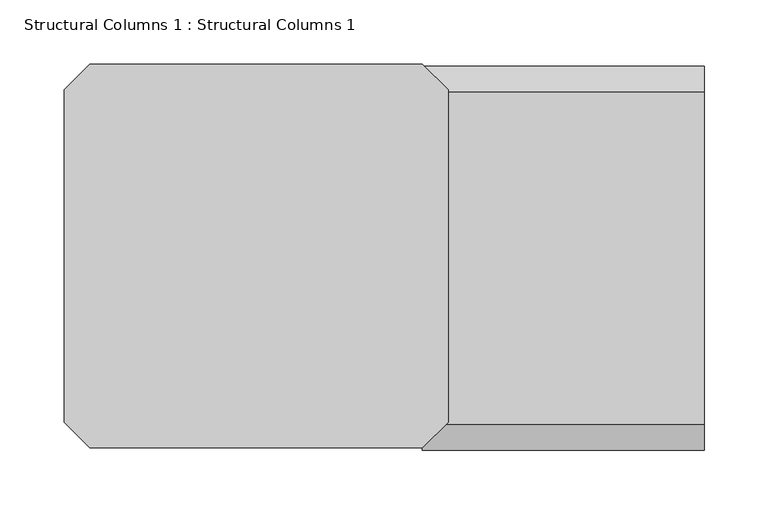
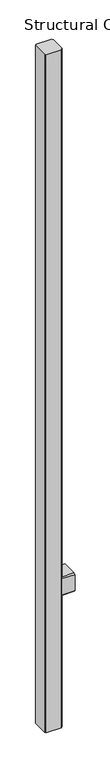
"""IFC4 building model written with IfcOpenShell, lengths in millimetres: column geometry, Structural Columns 1 : Structural Columns 1."""

from ifc_helpers import new_model, si_unit, frame, origin, origin_with_axes, place, context, project, spatial, polyline, outline, extrude, source, transform, mapped, element, save


def structural_columns_1_structural_columns_1_fbbca82b(model_context):
    return source(origin(), model_context, "Body", "SweptSolid", [
        extrude(outline(polyline([(-150.0, 2630.0), (-130.0, 2650.0), (130.0, 2650.0), (150.0, 2630.0), (150.0, 2340.0), (130.0, 2320.0), (-130.0, 2320.0), (-150.0, 2340.0), (-150.0, 2630.0)])), frame((130.0, 0.0, 0.0), z_axis=(1.0, 0.0, 0.0), x_axis=(0.0, 1.0, 0.0)), (0.0, 0.0, 1.0), 220.0),
        extrude(outline(polyline([(130.0, 150.0), (150.0, 130.0), (150.0, -130.0), (130.0, -150.0), (-130.0, -150.0), (-150.0, -130.0), (-150.0, 130.0), (-130.0, 150.0), (130.0, 150.0)])), origin_with_axes(), (0.0, 0.0, 1.0), 12000.0),
    ])


if __name__ == "__main__":
    model = new_model("IFC4")
    model_context = context("Model", 3, world=origin())
    ifc_project = project(units=[si_unit("LENGTHUNIT", "METRE", prefix="MILLI")], contexts=[model_context])
    site = spatial("IfcSite", under=ifc_project)
    building = spatial("IfcBuilding", under=site)
    placement = place(None, origin())
    structural_columns_1_structural_columns_1_shape = structural_columns_1_structural_columns_1_fbbca82b(model_context)
    element("IfcColumn", 1, ObjectType="Structural Columns 1 : Structural Columns 1", at=placement, inside=building, context=model_context, shape_type="MappedRepresentation", body=[
        mapped(structural_columns_1_structural_columns_1_shape, transform((0.0, 0.0, 0.0), x_axis=(1.0, 0.0, 0.0), y_axis=(0.0, 1.0, 0.0), z_axis=(0.0, 0.0, 1.0))),
    ])
    save(model, "model.ifc")
